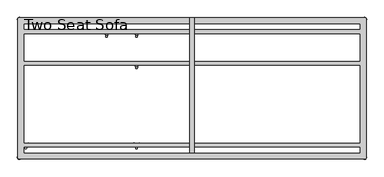
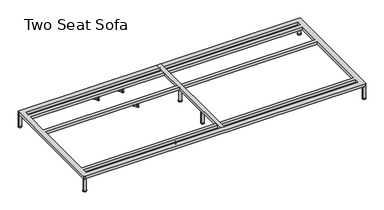
"""IFC4 building model written with IfcOpenShell, lengths in millimetres: furniture geometry, Two Seat Sofa."""

from ifc_helpers import new_model, si_unit, point, frame, frame_2d, origin, origin_with_axes, place, context, project, spatial, polyline, circle_curve, trimmed, segment, composite_curve, outline, extrude, source, transform, mapped, element, save
from ifc_brep_helpers import plane_surface, cylinder_surface, revolved_surface, advanced_brep


def two_seat_sofa_4a8d6982(model_context):
    return source(origin(), model_context, "Body", "SolidModel", [
        advanced_brep(
        [(-519.7611937, -633.9963447, 98.611642), (-523.9837819, -641.3100819, 98.611642), (-523.585833, -642.4761133, 98.611642), (-507.7665623, -669.8758983, 98.611642), (-506.9557288, -670.8035397, 98.611642), (-498.5105502, -670.8035397, 98.611642), (-497.706022, -669.7137583, 98.611642), (-481.6037689, -642.2119553, 98.611642), (-481.4824919, -641.3100836, 98.611642), (-485.7050818, -633.9963432, 98.611642), (-486.9138653, -633.7579584, 98.611642), (-518.5524137, -633.7579584, 98.611642), (-493.360263, -648.9168654, 98.611642), (-512.2652749, -648.9168654, 98.611642), (-519.7611937, -633.9963447, 88.6531552), (-518.5524137, -633.7579584, 88.6531552), (-486.9138653, -633.7579584, 88.6531552), (-485.7050818, -633.9963432, 88.6531552), (-481.4824919, -641.3100836, 88.6531552), (-481.6037689, -642.2119553, 88.6531552), (-497.706022, -669.7137583, 88.6531552), (-498.5105502, -670.8035397, 88.6531552), (-506.9557288, -670.8035397, 88.6531552), (-507.7665623, -669.8758983, 88.6531552), (-523.585833, -642.4761133, 88.6531552), (-523.9837819, -641.3100819, 88.6531552), (-512.2652749, -648.9168654, 103.6569541), (-493.360263, -648.9168654, 103.6569541)],
        [
            (0, 1, circle_curve(frame((-501.5017056, -649.4142898, 98.611642), z_axis=(0.0, 0.0, 1.0), x_axis=(1.0, 0.0, 0.0)), 23.8981576)),
            (1, 2, circle_curve(frame((-523.0562233, -641.6444428, 98.611642), z_axis=(0.0, 0.0, 1.0), x_axis=(1.0, 0.0, 0.0)), 0.9859828)),
            (2, 3, circle_curve(frame((-541.981203, -671.3632053, 98.611642), z_axis=(0.0, 0.0, -1.0), x_axis=(1.0, 0.0, 0.0)), 34.246952)),
            (3, 4, circle_curve(frame((-506.7815189, -669.8330785, 98.611642), z_axis=(0.0, 0.0, 1.0), x_axis=(1.0, 0.0, 0.0)), 0.9859736)),
            (4, 5, circle_curve(frame((-502.7331395, -647.2809943, 98.611642), z_axis=(0.0, 0.0, 1.0), x_axis=(1.0, 0.0, 0.0)), 23.8985439)),
            (5, 6, circle_curve(frame((-498.6847621, -669.8330671, 98.611642), z_axis=(0.0, 0.0, 1.0), x_axis=(1.0, 0.0, 0.0)), 0.9859852)),
            (6, 7, circle_curve(frame((-463.4843483, -671.285662, 98.611642), z_axis=(0.0, 0.0, -1.0), x_axis=(1.0, 0.0, 0.0)), 34.2577557)),
            (7, 8, circle_curve(frame((-482.4100533, -641.644442, 98.611642), z_axis=(0.0, 0.0, 1.0), x_axis=(1.0, 0.0, 0.0)), 0.9859847)),
            (8, 9, circle_curve(frame((-503.9641822, -649.4140667, 98.611642), z_axis=(0.0, 0.0, 1.0), x_axis=(1.0, 0.0, 0.0)), 23.8977184)),
            (9, 10, circle_curve(frame((-486.4584281, -634.632458, 98.611642), z_axis=(0.0, 0.0, 1.0), x_axis=(1.0, 0.0, 0.0)), 0.9859881)),
            (10, 11, circle_curve(frame((-502.7331395, -603.3828618, 98.611642), z_axis=(0.0, 0.0, -1.0), x_axis=(1.0, 0.0, 0.0)), 34.2475683)),
            (11, 0, circle_curve(frame((-519.0078488, -634.632454, 98.611642), z_axis=(0.0, 0.0, 1.0), x_axis=(1.0, 0.0, 0.0)), 0.9859835)),
            (12, 13, circle_curve(frame((-502.8127689, -648.9168654, 98.611642), z_axis=(0.0, 0.0, -1.0), x_axis=(1.0, 0.0, 0.0)), 9.452506)),
            (13, 12, circle_curve(frame((-502.8127689, -648.9168654, 98.611642), z_axis=(0.0, 0.0, -1.0), x_axis=(1.0, 0.0, 0.0)), 9.452506)),
            (14, 15, circle_curve(frame((-519.0078488, -634.632454, 88.6531552), z_axis=(0.0, 0.0, -1.0), x_axis=(1.0, 0.0, 0.0)), 0.9859835)),
            (15, 16, circle_curve(frame((-502.7331395, -603.3828618, 88.6531552), z_axis=(0.0, 0.0, 1.0), x_axis=(1.0, 0.0, 0.0)), 34.2475683)),
            (16, 17, circle_curve(frame((-486.4584281, -634.632458, 88.6531552), z_axis=(0.0, 0.0, -1.0), x_axis=(1.0, 0.0, 0.0)), 0.9859881)),
            (17, 18, circle_curve(frame((-503.9641822, -649.4140667, 88.6531552), z_axis=(0.0, 0.0, -1.0), x_axis=(1.0, 0.0, 0.0)), 23.8977184)),
            (18, 19, circle_curve(frame((-482.4100533, -641.644442, 88.6531552), z_axis=(0.0, 0.0, -1.0), x_axis=(1.0, 0.0, 0.0)), 0.9859847)),
            (19, 20, circle_curve(frame((-463.4843483, -671.285662, 88.6531552), z_axis=(0.0, 0.0, 1.0), x_axis=(1.0, 0.0, 0.0)), 34.2577557)),
            (20, 21, circle_curve(frame((-498.6847621, -669.8330671, 88.6531552), z_axis=(0.0, 0.0, -1.0), x_axis=(1.0, 0.0, 0.0)), 0.9859852)),
            (21, 22, circle_curve(frame((-502.7331395, -647.2809943, 88.6531552), z_axis=(0.0, 0.0, -1.0), x_axis=(1.0, 0.0, 0.0)), 23.8985439)),
            (22, 23, circle_curve(frame((-506.7815189, -669.8330785, 88.6531552), z_axis=(0.0, 0.0, -1.0), x_axis=(1.0, 0.0, 0.0)), 0.9859736)),
            (23, 24, circle_curve(frame((-541.981203, -671.3632053, 88.6531552), z_axis=(0.0, 0.0, 1.0), x_axis=(1.0, 0.0, 0.0)), 34.246952)),
            (24, 25, circle_curve(frame((-523.0562233, -641.6444428, 88.6531552), z_axis=(0.0, 0.0, -1.0), x_axis=(1.0, 0.0, 0.0)), 0.9859828)),
            (25, 14, circle_curve(frame((-501.5017056, -649.4142898, 88.6531552), z_axis=(0.0, 0.0, -1.0), x_axis=(1.0, 0.0, 0.0)), 23.8981576)),
            (26, 27, circle_curve(frame((-502.8127689, -648.9168654, 103.6569541), z_axis=(0.0, 0.0, 1.0), x_axis=(1.0, 0.0, 0.0)), 9.452506)),
            (27, 26, circle_curve(frame((-502.8127689, -648.9168654, 103.6569541), z_axis=(0.0, 0.0, 1.0), x_axis=(1.0, 0.0, 0.0)), 9.452506)),
            (0, 14),
            (25, 1),
            (24, 2),
            (23, 3),
            (22, 4),
            (21, 5),
            (20, 6),
            (19, 7),
            (18, 8),
            (17, 9),
            (16, 10),
            (15, 11),
            (26, 13),
            (12, 27),
        ],
        [
            plane_surface(frame((-477.603548, -649.4142898, 98.611642), z_axis=(0.0, 0.0, 1.0), x_axis=(0.0, 1.0, 0.0))),
            plane_surface(frame((-477.603548, -649.4142898, 88.6531552), z_axis=(0.0, 0.0, -1.0), x_axis=(0.0, -1.0, 0.0))),
            plane_surface(frame((-493.360263, -648.9168654, 103.6569541), z_axis=(0.0, 0.0, 1.0), x_axis=(0.0, 1.0, 0.0))),
            cylinder_surface(frame((-501.5017056, -649.4142898, 88.6531552), z_axis=(0.0, 0.0, 1.0), x_axis=(1.0, 0.0, 0.0)), 23.8981576),
            cylinder_surface(frame((-523.0562233, -641.6444428, 88.6531552), z_axis=(0.0, 0.0, 1.0), x_axis=(1.0, 0.0, 0.0)), 0.9859828),
            revolved_surface(polyline([(-507.73425100000003, -671.3632053, 88.6531552), (-507.73425100000003, -671.3632053, 98.611642)]), (-541.981203, -671.3632053, 88.6531552), (0.0, 0.0, -1.0)),
            cylinder_surface(frame((-506.7815189, -669.8330785, 88.6531552), z_axis=(0.0, 0.0, 1.0), x_axis=(1.0, 0.0, 0.0)), 0.9859736),
            cylinder_surface(frame((-502.7331395, -647.2809943, 88.6531552), z_axis=(0.0, 0.0, 1.0), x_axis=(1.0, 0.0, 0.0)), 23.8985439),
            cylinder_surface(frame((-498.6847621, -669.8330671, 88.6531552), z_axis=(0.0, 0.0, 1.0), x_axis=(1.0, 0.0, 0.0)), 0.9859852),
            revolved_surface(polyline([(-429.2265926, -671.285662, 88.6531552), (-429.2265926, -671.285662, 98.611642)]), (-463.4843483, -671.285662, 88.6531552), (0.0, 0.0, -1.0)),
            cylinder_surface(frame((-482.4100533, -641.644442, 88.6531552), z_axis=(0.0, 0.0, 1.0), x_axis=(1.0, 0.0, 0.0)), 0.9859847),
            cylinder_surface(frame((-503.9641822, -649.4140667, 88.6531552), z_axis=(0.0, 0.0, 1.0), x_axis=(1.0, 0.0, 0.0)), 23.8977184),
            cylinder_surface(frame((-486.4584281, -634.632458, 88.6531552), z_axis=(0.0, 0.0, 1.0), x_axis=(1.0, 0.0, 0.0)), 0.9859881),
            revolved_surface(polyline([(-468.4855712, -603.3828618, 88.6531552), (-468.4855712, -603.3828618, 98.611642)]), (-502.7331395, -603.3828618, 88.6531552), (0.0, 0.0, -1.0)),
            cylinder_surface(frame((-519.0078488, -634.632454, 88.6531552), z_axis=(0.0, 0.0, 1.0), x_axis=(1.0, 0.0, 0.0)), 0.9859835),
            cylinder_surface(frame((-502.8127689, -648.9168654, 98.611642), z_axis=(0.0, 0.0, 1.0), x_axis=(1.0, 0.0, 0.0)), 9.452506),
        ],
        [
            (0, [[1, 2, 3, 4, 5, 6, 7, 8, 9, 10, 11, 12], [13, 14]]),
            (1, [[15, 16, 17, 18, 19, 20, 21, 22, 23, 24, 25, 26]]),
            (2, [[27, 28]]),
            (3, [[-1, 29, -26, 30]]),
            (4, [[-2, -30, -25, 31]]),
            (5, [[-3, -31, -24, 32]]),
            (6, [[-4, -32, -23, 33]]),
            (7, [[-5, -33, -22, 34]]),
            (8, [[-6, -34, -21, 35]]),
            (9, [[-7, -35, -20, 36]]),
            (10, [[-8, -36, -19, 37]]),
            (11, [[-9, -37, -18, 38]]),
            (12, [[-10, -38, -17, 39]]),
            (13, [[-11, -39, -16, 40]]),
            (14, [[-12, -40, -15, -29]]),
            (15, [[-27, 41, -13, 42]]),
            (15, [[-28, -42, -14, -41]]),
        ],
    ),
        advanced_brep(
        [(-519.7611937, -130.2721038, 98.611642), (-523.9837819, -137.585841, 98.611642), (-523.585833, -138.7518724, 98.611642), (-507.7665623, -166.1516574, 98.611642), (-506.9557288, -167.0792988, 98.611642), (-498.5105502, -167.0792988, 98.611642), (-497.706022, -165.9895174, 98.611642), (-481.6037689, -138.4877144, 98.611642), (-481.4824919, -137.5858427, 98.611642), (-485.7050818, -130.2721023, 98.611642), (-486.9138653, -130.0337175, 98.611642), (-518.5524137, -130.0337175, 98.611642), (-493.360263, -145.1926245, 98.611642), (-512.2652749, -145.1926245, 98.611642), (-519.7611937, -130.2721038, 88.6531552), (-518.5524137, -130.0337175, 88.6531552), (-486.9138653, -130.0337175, 88.6531552), (-485.7050818, -130.2721023, 88.6531552), (-481.4824919, -137.5858427, 88.6531552), (-481.6037689, -138.4877144, 88.6531552), (-497.706022, -165.9895174, 88.6531552), (-498.5105502, -167.0792988, 88.6531552), (-506.9557288, -167.0792988, 88.6531552), (-507.7665623, -166.1516574, 88.6531552), (-523.585833, -138.7518724, 88.6531552), (-523.9837819, -137.585841, 88.6531552), (-512.2652749, -145.1926245, 103.6569541), (-493.360263, -145.1926245, 103.6569541)],
        [
            (0, 1, circle_curve(frame((-501.5017056, -145.690049, 98.611642), z_axis=(0.0, 0.0, 1.0), x_axis=(1.0, 0.0, 0.0)), 23.8981576)),
            (1, 2, circle_curve(frame((-523.0562233, -137.920202, 98.611642), z_axis=(0.0, 0.0, 1.0), x_axis=(1.0, 0.0, 0.0)), 0.9859828)),
            (2, 3, circle_curve(frame((-541.981203, -167.6389644, 98.611642), z_axis=(0.0, 0.0, -1.0), x_axis=(1.0, 0.0, 0.0)), 34.246952)),
            (3, 4, circle_curve(frame((-506.7815189, -166.1088376, 98.611642), z_axis=(0.0, 0.0, 1.0), x_axis=(1.0, 0.0, 0.0)), 0.9859736)),
            (4, 5, circle_curve(frame((-502.7331395, -143.5567534, 98.611642), z_axis=(0.0, 0.0, 1.0), x_axis=(1.0, 0.0, 0.0)), 23.8985439)),
            (5, 6, circle_curve(frame((-498.6847621, -166.1088262, 98.611642), z_axis=(0.0, 0.0, 1.0), x_axis=(1.0, 0.0, 0.0)), 0.9859852)),
            (6, 7, circle_curve(frame((-463.4843483, -167.5614211, 98.611642), z_axis=(0.0, 0.0, -1.0), x_axis=(1.0, 0.0, 0.0)), 34.2577557)),
            (7, 8, circle_curve(frame((-482.4100533, -137.9202011, 98.611642), z_axis=(0.0, 0.0, 1.0), x_axis=(1.0, 0.0, 0.0)), 0.9859847)),
            (8, 9, circle_curve(frame((-503.9641822, -145.6898258, 98.611642), z_axis=(0.0, 0.0, 1.0), x_axis=(1.0, 0.0, 0.0)), 23.8977184)),
            (9, 10, circle_curve(frame((-486.4584281, -130.9082171, 98.611642), z_axis=(0.0, 0.0, 1.0), x_axis=(1.0, 0.0, 0.0)), 0.9859881)),
            (10, 11, circle_curve(frame((-502.7331395, -99.6586209, 98.611642), z_axis=(0.0, 0.0, -1.0), x_axis=(1.0, 0.0, 0.0)), 34.2475683)),
            (11, 0, circle_curve(frame((-519.0078488, -130.9082131, 98.611642), z_axis=(0.0, 0.0, 1.0), x_axis=(1.0, 0.0, 0.0)), 0.9859835)),
            (12, 13, circle_curve(frame((-502.8127689, -145.1926245, 98.611642), z_axis=(0.0, 0.0, -1.0), x_axis=(1.0, 0.0, 0.0)), 9.452506)),
            (13, 12, circle_curve(frame((-502.8127689, -145.1926245, 98.611642), z_axis=(0.0, 0.0, -1.0), x_axis=(1.0, 0.0, 0.0)), 9.452506)),
            (14, 15, circle_curve(frame((-519.0078488, -130.9082131, 88.6531552), z_axis=(0.0, 0.0, -1.0), x_axis=(1.0, 0.0, 0.0)), 0.9859835)),
            (15, 16, circle_curve(frame((-502.7331395, -99.6586209, 88.6531552), z_axis=(0.0, 0.0, 1.0), x_axis=(1.0, 0.0, 0.0)), 34.2475683)),
            (16, 17, circle_curve(frame((-486.4584281, -130.9082171, 88.6531552), z_axis=(0.0, 0.0, -1.0), x_axis=(1.0, 0.0, 0.0)), 0.9859881)),
            (17, 18, circle_curve(frame((-503.9641822, -145.6898258, 88.6531552), z_axis=(0.0, 0.0, -1.0), x_axis=(1.0, 0.0, 0.0)), 23.8977184)),
            (18, 19, circle_curve(frame((-482.4100533, -137.9202011, 88.6531552), z_axis=(0.0, 0.0, -1.0), x_axis=(1.0, 0.0, 0.0)), 0.9859847)),
            (19, 20, circle_curve(frame((-463.4843483, -167.5614211, 88.6531552), z_axis=(0.0, 0.0, 1.0), x_axis=(1.0, 0.0, 0.0)), 34.2577557)),
            (20, 21, circle_curve(frame((-498.6847621, -166.1088262, 88.6531552), z_axis=(0.0, 0.0, -1.0), x_axis=(1.0, 0.0, 0.0)), 0.9859852)),
            (21, 22, circle_curve(frame((-502.7331395, -143.5567534, 88.6531552), z_axis=(0.0, 0.0, -1.0), x_axis=(1.0, 0.0, 0.0)), 23.8985439)),
            (22, 23, circle_curve(frame((-506.7815189, -166.1088376, 88.6531552), z_axis=(0.0, 0.0, -1.0), x_axis=(1.0, 0.0, 0.0)), 0.9859736)),
            (23, 24, circle_curve(frame((-541.981203, -167.6389644, 88.6531552), z_axis=(0.0, 0.0, 1.0), x_axis=(1.0, 0.0, 0.0)), 34.246952)),
            (24, 25, circle_curve(frame((-523.0562233, -137.920202, 88.6531552), z_axis=(0.0, 0.0, -1.0), x_axis=(1.0, 0.0, 0.0)), 0.9859828)),
            (25, 14, circle_curve(frame((-501.5017056, -145.690049, 88.6531552), z_axis=(0.0, 0.0, -1.0), x_axis=(1.0, 0.0, 0.0)), 23.8981576)),
            (26, 27, circle_curve(frame((-502.8127689, -145.1926245, 103.6569541), z_axis=(0.0, 0.0, 1.0), x_axis=(1.0, 0.0, 0.0)), 9.452506)),
            (27, 26, circle_curve(frame((-502.8127689, -145.1926245, 103.6569541), z_axis=(0.0, 0.0, 1.0), x_axis=(1.0, 0.0, 0.0)), 9.452506)),
            (0, 14),
            (25, 1),
            (24, 2),
            (23, 3),
            (22, 4),
            (21, 5),
            (20, 6),
            (19, 7),
            (18, 8),
            (17, 9),
            (16, 10),
            (15, 11),
            (26, 13),
            (12, 27),
        ],
        [
            plane_surface(frame((-477.603548, -145.690049, 98.611642), z_axis=(0.0, 0.0, 1.0), x_axis=(0.0, 1.0, 0.0))),
            plane_surface(frame((-477.603548, -145.690049, 88.6531552), z_axis=(0.0, 0.0, -1.0), x_axis=(0.0, -1.0, 0.0))),
            plane_surface(frame((-493.360263, -145.1926245, 103.6569541), z_axis=(0.0, 0.0, 1.0), x_axis=(0.0, 1.0, 0.0))),
            cylinder_surface(frame((-501.5017056, -145.690049, 88.6531552), z_axis=(0.0, 0.0, 1.0), x_axis=(1.0, 0.0, 0.0)), 23.8981576),
            cylinder_surface(frame((-523.0562233, -137.920202, 88.6531552), z_axis=(0.0, 0.0, 1.0), x_axis=(1.0, 0.0, 0.0)), 0.9859828),
            revolved_surface(polyline([(-507.73425100000003, -167.6389644, 88.6531552), (-507.73425100000003, -167.6389644, 98.611642)]), (-541.981203, -167.6389644, 88.6531552), (0.0, 0.0, -1.0)),
            cylinder_surface(frame((-506.7815189, -166.1088376, 88.6531552), z_axis=(0.0, 0.0, 1.0), x_axis=(1.0, 0.0, 0.0)), 0.9859736),
            cylinder_surface(frame((-502.7331395, -143.5567534, 88.6531552), z_axis=(0.0, 0.0, 1.0), x_axis=(1.0, 0.0, 0.0)), 23.8985439),
            cylinder_surface(frame((-498.6847621, -166.1088262, 88.6531552), z_axis=(0.0, 0.0, 1.0), x_axis=(1.0, 0.0, 0.0)), 0.9859852),
            revolved_surface(polyline([(-429.2265926, -167.5614211, 88.6531552), (-429.2265926, -167.5614211, 98.611642)]), (-463.4843483, -167.5614211, 88.6531552), (0.0, 0.0, -1.0)),
            cylinder_surface(frame((-482.4100533, -137.9202011, 88.6531552), z_axis=(0.0, 0.0, 1.0), x_axis=(1.0, 0.0, 0.0)), 0.9859847),
            cylinder_surface(frame((-503.9641822, -145.6898258, 88.6531552), z_axis=(0.0, 0.0, 1.0), x_axis=(1.0, 0.0, 0.0)), 23.8977184),
            cylinder_surface(frame((-486.4584281, -130.9082171, 88.6531552), z_axis=(0.0, 0.0, 1.0), x_axis=(1.0, 0.0, 0.0)), 0.9859881),
            revolved_surface(polyline([(-468.4855712, -99.6586209, 88.6531552), (-468.4855712, -99.6586209, 98.611642)]), (-502.7331395, -99.6586209, 88.6531552), (0.0, 0.0, -1.0)),
            cylinder_surface(frame((-519.0078488, -130.9082131, 88.6531552), z_axis=(0.0, 0.0, 1.0), x_axis=(1.0, 0.0, 0.0)), 0.9859835),
            cylinder_surface(frame((-502.8127689, -145.1926245, 98.611642), z_axis=(0.0, 0.0, 1.0), x_axis=(1.0, 0.0, 0.0)), 9.452506),
        ],
        [
            (0, [[1, 2, 3, 4, 5, 6, 7, 8, 9, 10, 11, 12], [13, 14]]),
            (1, [[15, 16, 17, 18, 19, 20, 21, 22, 23, 24, 25, 26]]),
            (2, [[27, 28]]),
            (3, [[-1, 29, -26, 30]]),
            (4, [[-2, -30, -25, 31]]),
            (5, [[-3, -31, -24, 32]]),
            (6, [[-4, -32, -23, 33]]),
            (7, [[-5, -33, -22, 34]]),
            (8, [[-6, -34, -21, 35]]),
            (9, [[-7, -35, -20, 36]]),
            (10, [[-8, -36, -19, 37]]),
            (11, [[-9, -37, -18, 38]]),
            (12, [[-10, -38, -17, 39]]),
            (13, [[-11, -39, -16, 40]]),
            (14, [[-12, -40, -15, -29]]),
            (15, [[-27, 41, -13, 42]]),
            (15, [[-28, -42, -14, -41]]),
        ],
    ),
        advanced_brep(
        [(-519.7611937, 69.7278978, 98.611642), (-523.9837819, 62.4141605, 98.611642), (-523.585833, 61.2481292, 98.611642), (-507.7665623, 33.8483441, 98.611642), (-506.9557288, 32.9207027, 98.611642), (-498.5105502, 32.9207027, 98.611642), (-497.706022, 34.0104841, 98.611642), (-481.6037689, 61.5122871, 98.611642), (-481.4824919, 62.4141588, 98.611642), (-485.7050818, 69.7278992, 98.611642), (-486.9138653, 69.966284, 98.611642), (-518.5524137, 69.966284, 98.611642), (-493.360263, 54.807377, 98.611642), (-512.2652749, 54.807377, 98.611642), (-519.7611937, 69.7278978, 88.6531552), (-518.5524137, 69.966284, 88.6531552), (-486.9138653, 69.966284, 88.6531552), (-485.7050818, 69.7278992, 88.6531552), (-481.4824919, 62.4141588, 88.6531552), (-481.6037689, 61.5122871, 88.6531552), (-497.706022, 34.0104841, 88.6531552), (-498.5105502, 32.9207027, 88.6531552), (-506.9557288, 32.9207027, 88.6531552), (-507.7665623, 33.8483441, 88.6531552), (-523.585833, 61.2481292, 88.6531552), (-523.9837819, 62.4141605, 88.6531552), (-512.2652749, 54.807377, 103.6569541), (-493.360263, 54.807377, 103.6569541)],
        [
            (0, 1, circle_curve(frame((-501.5017056, 54.3099526, 98.611642), z_axis=(0.0, 0.0, 1.0), x_axis=(1.0, 0.0, 0.0)), 23.8981576)),
            (1, 2, circle_curve(frame((-523.0562233, 62.0797996, 98.611642), z_axis=(0.0, 0.0, 1.0), x_axis=(1.0, 0.0, 0.0)), 0.9859828)),
            (2, 3, circle_curve(frame((-541.981203, 32.3610372, 98.611642), z_axis=(0.0, 0.0, -1.0), x_axis=(1.0, 0.0, 0.0)), 34.246952)),
            (3, 4, circle_curve(frame((-506.7815189, 33.8911639, 98.611642), z_axis=(0.0, 0.0, 1.0), x_axis=(1.0, 0.0, 0.0)), 0.9859736)),
            (4, 5, circle_curve(frame((-502.7331395, 56.4432481, 98.611642), z_axis=(0.0, 0.0, 1.0), x_axis=(1.0, 0.0, 0.0)), 23.8985439)),
            (5, 6, circle_curve(frame((-498.6847621, 33.8911753, 98.611642), z_axis=(0.0, 0.0, 1.0), x_axis=(1.0, 0.0, 0.0)), 0.9859852)),
            (6, 7, circle_curve(frame((-463.4843483, 32.4385804, 98.611642), z_axis=(0.0, 0.0, -1.0), x_axis=(1.0, 0.0, 0.0)), 34.2577557)),
            (7, 8, circle_curve(frame((-482.4100533, 62.0798004, 98.611642), z_axis=(0.0, 0.0, 1.0), x_axis=(1.0, 0.0, 0.0)), 0.9859847)),
            (8, 9, circle_curve(frame((-503.9641822, 54.3101757, 98.611642), z_axis=(0.0, 0.0, 1.0), x_axis=(1.0, 0.0, 0.0)), 23.8977184)),
            (9, 10, circle_curve(frame((-486.4584281, 69.0917844, 98.611642), z_axis=(0.0, 0.0, 1.0), x_axis=(1.0, 0.0, 0.0)), 0.9859881)),
            (10, 11, circle_curve(frame((-502.7331395, 100.3413806, 98.611642), z_axis=(0.0, 0.0, -1.0), x_axis=(1.0, 0.0, 0.0)), 34.2475683)),
            (11, 0, circle_curve(frame((-519.0078488, 69.0917885, 98.611642), z_axis=(0.0, 0.0, 1.0), x_axis=(1.0, 0.0, 0.0)), 0.9859835)),
            (12, 13, circle_curve(frame((-502.8127689, 54.807377, 98.611642), z_axis=(0.0, 0.0, -1.0), x_axis=(1.0, 0.0, 0.0)), 9.452506)),
            (13, 12, circle_curve(frame((-502.8127689, 54.807377, 98.611642), z_axis=(0.0, 0.0, -1.0), x_axis=(1.0, 0.0, 0.0)), 9.452506)),
            (14, 15, circle_curve(frame((-519.0078488, 69.0917885, 88.6531552), z_axis=(0.0, 0.0, -1.0), x_axis=(1.0, 0.0, 0.0)), 0.9859835)),
            (15, 16, circle_curve(frame((-502.7331395, 100.3413806, 88.6531552), z_axis=(0.0, 0.0, 1.0), x_axis=(1.0, 0.0, 0.0)), 34.2475683)),
            (16, 17, circle_curve(frame((-486.4584281, 69.0917844, 88.6531552), z_axis=(0.0, 0.0, -1.0), x_axis=(1.0, 0.0, 0.0)), 0.9859881)),
            (17, 18, circle_curve(frame((-503.9641822, 54.3101757, 88.6531552), z_axis=(0.0, 0.0, -1.0), x_axis=(1.0, 0.0, 0.0)), 23.8977184)),
            (18, 19, circle_curve(frame((-482.4100533, 62.0798004, 88.6531552), z_axis=(0.0, 0.0, -1.0), x_axis=(1.0, 0.0, 0.0)), 0.9859847)),
            (19, 20, circle_curve(frame((-463.4843483, 32.4385804, 88.6531552), z_axis=(0.0, 0.0, 1.0), x_axis=(1.0, 0.0, 0.0)), 34.2577557)),
            (20, 21, circle_curve(frame((-498.6847621, 33.8911753, 88.6531552), z_axis=(0.0, 0.0, -1.0), x_axis=(1.0, 0.0, 0.0)), 0.9859852)),
            (21, 22, circle_curve(frame((-502.7331395, 56.4432481, 88.6531552), z_axis=(0.0, 0.0, -1.0), x_axis=(1.0, 0.0, 0.0)), 23.8985439)),
            (22, 23, circle_curve(frame((-506.7815189, 33.8911639, 88.6531552), z_axis=(0.0, 0.0, -1.0), x_axis=(1.0, 0.0, 0.0)), 0.9859736)),
            (23, 24, circle_curve(frame((-541.981203, 32.3610372, 88.6531552), z_axis=(0.0, 0.0, 1.0), x_axis=(1.0, 0.0, 0.0)), 34.246952)),
            (24, 25, circle_curve(frame((-523.0562233, 62.0797996, 88.6531552), z_axis=(0.0, 0.0, -1.0), x_axis=(1.0, 0.0, 0.0)), 0.9859828)),
            (25, 14, circle_curve(frame((-501.5017056, 54.3099526, 88.6531552), z_axis=(0.0, 0.0, -1.0), x_axis=(1.0, 0.0, 0.0)), 23.8981576)),
            (26, 27, circle_curve(frame((-502.8127689, 54.807377, 103.6569541), z_axis=(0.0, 0.0, 1.0), x_axis=(1.0, 0.0, 0.0)), 9.452506)),
            (27, 26, circle_curve(frame((-502.8127689, 54.807377, 103.6569541), z_axis=(0.0, 0.0, 1.0), x_axis=(1.0, 0.0, 0.0)), 9.452506)),
            (0, 14),
            (25, 1),
            (24, 2),
            (23, 3),
            (22, 4),
            (21, 5),
            (20, 6),
            (19, 7),
            (18, 8),
            (17, 9),
            (16, 10),
            (15, 11),
            (26, 13),
            (12, 27),
        ],
        [
            plane_surface(frame((-477.603548, 54.3099526, 98.611642), z_axis=(0.0, 0.0, 1.0), x_axis=(0.0, 1.0, 0.0))),
            plane_surface(frame((-477.603548, 54.3099526, 88.6531552), z_axis=(0.0, 0.0, -1.0), x_axis=(0.0, -1.0, 0.0))),
            plane_surface(frame((-493.360263, 54.807377, 103.6569541), z_axis=(0.0, 0.0, 1.0), x_axis=(0.0, 1.0, 0.0))),
            cylinder_surface(frame((-501.5017056, 54.3099526, 88.6531552), z_axis=(0.0, 0.0, 1.0), x_axis=(1.0, 0.0, 0.0)), 23.8981576),
            cylinder_surface(frame((-523.0562233, 62.0797996, 88.6531552), z_axis=(0.0, 0.0, 1.0), x_axis=(1.0, 0.0, 0.0)), 0.9859828),
            revolved_surface(polyline([(-507.73425100000003, 32.3610372, 88.6531552), (-507.73425100000003, 32.3610372, 98.611642)]), (-541.981203, 32.3610372, 88.6531552), (0.0, 0.0, -1.0)),
            cylinder_surface(frame((-506.7815189, 33.8911639, 88.6531552), z_axis=(0.0, 0.0, 1.0), x_axis=(1.0, 0.0, 0.0)), 0.9859736),
            cylinder_surface(frame((-502.7331395, 56.4432481, 88.6531552), z_axis=(0.0, 0.0, 1.0), x_axis=(1.0, 0.0, 0.0)), 23.8985439),
            cylinder_surface(frame((-498.6847621, 33.8911753, 88.6531552), z_axis=(0.0, 0.0, 1.0), x_axis=(1.0, 0.0, 0.0)), 0.9859852),
            revolved_surface(polyline([(-429.2265926, 32.4385804, 88.6531552), (-429.2265926, 32.4385804, 98.611642)]), (-463.4843483, 32.4385804, 88.6531552), (0.0, 0.0, -1.0)),
            cylinder_surface(frame((-482.4100533, 62.0798004, 88.6531552), z_axis=(0.0, 0.0, 1.0), x_axis=(1.0, 0.0, 0.0)), 0.9859847),
            cylinder_surface(frame((-503.9641822, 54.3101757, 88.6531552), z_axis=(0.0, 0.0, 1.0), x_axis=(1.0, 0.0, 0.0)), 23.8977184),
            cylinder_surface(frame((-486.4584281, 69.0917844, 88.6531552), z_axis=(0.0, 0.0, 1.0), x_axis=(1.0, 0.0, 0.0)), 0.9859881),
            revolved_surface(polyline([(-468.4855712, 100.3413806, 88.6531552), (-468.4855712, 100.3413806, 98.611642)]), (-502.7331395, 100.3413806, 88.6531552), (0.0, 0.0, -1.0)),
            cylinder_surface(frame((-519.0078488, 69.0917885, 88.6531552), z_axis=(0.0, 0.0, 1.0), x_axis=(1.0, 0.0, 0.0)), 0.9859835),
            cylinder_surface(frame((-502.8127689, 54.807377, 98.611642), z_axis=(0.0, 0.0, 1.0), x_axis=(1.0, 0.0, 0.0)), 9.452506),
        ],
        [
            (0, [[1, 2, 3, 4, 5, 6, 7, 8, 9, 10, 11, 12], [13, 14]]),
            (1, [[15, 16, 17, 18, 19, 20, 21, 22, 23, 24, 25, 26]]),
            (2, [[27, 28]]),
            (3, [[-1, 29, -26, 30]]),
            (4, [[-2, -30, -25, 31]]),
            (5, [[-3, -31, -24, 32]]),
            (6, [[-4, -32, -23, 33]]),
            (7, [[-5, -33, -22, 34]]),
            (8, [[-6, -34, -21, 35]]),
            (9, [[-7, -35, -20, 36]]),
            (10, [[-8, -36, -19, 37]]),
            (11, [[-9, -37, -18, 38]]),
            (12, [[-10, -38, -17, 39]]),
            (13, [[-11, -39, -16, 40]]),
            (14, [[-12, -40, -15, -29]]),
            (15, [[-27, 41, -13, 42]]),
            (15, [[-28, -42, -14, -41]]),
        ],
    ),
        advanced_brep(
        [(-708.6567178, 69.7278978, 98.611642), (-712.879306, 62.4141605, 98.611642), (-712.4813572, 61.2481292, 98.611642), (-696.6620864, 33.8483441, 98.611642), (-695.8512529, 32.9207027, 98.611642), (-687.4060744, 32.9207027, 98.611642), (-686.6015461, 34.0104841, 98.611642), (-670.4992931, 61.5122871, 98.611642), (-670.378016, 62.4141588, 98.611642), (-674.600606, 69.7278992, 98.611642), (-675.8093894, 69.966284, 98.611642), (-707.4479379, 69.966284, 98.611642), (-682.2557871, 54.807377, 98.611642), (-701.160799, 54.807377, 98.611642), (-708.6567178, 69.7278978, 88.6531552), (-707.4479379, 69.966284, 88.6531552), (-675.8093894, 69.966284, 88.6531552), (-674.600606, 69.7278992, 88.6531552), (-670.378016, 62.4141588, 88.6531552), (-670.4992931, 61.5122871, 88.6531552), (-686.6015461, 34.0104841, 88.6531552), (-687.4060744, 32.9207027, 88.6531552), (-695.8512529, 32.9207027, 88.6531552), (-696.6620864, 33.8483441, 88.6531552), (-712.4813572, 61.2481292, 88.6531552), (-712.879306, 62.4141605, 88.6531552), (-701.160799, 54.807377, 103.6569541), (-682.2557871, 54.807377, 103.6569541)],
        [
            (0, 1, circle_curve(frame((-690.3972298, 54.3099526, 98.611642), z_axis=(0.0, 0.0, 1.0), x_axis=(1.0, 0.0, 0.0)), 23.8981576)),
            (1, 2, circle_curve(frame((-711.9517474, 62.0797996, 98.611642), z_axis=(0.0, 0.0, 1.0), x_axis=(1.0, 0.0, 0.0)), 0.9859828)),
            (2, 3, circle_curve(frame((-730.8767271, 32.3610372, 98.611642), z_axis=(0.0, 0.0, -1.0), x_axis=(1.0, 0.0, 0.0)), 34.246952)),
            (3, 4, circle_curve(frame((-695.6770431, 33.8911639, 98.611642), z_axis=(0.0, 0.0, 1.0), x_axis=(1.0, 0.0, 0.0)), 0.9859736)),
            (4, 5, circle_curve(frame((-691.6286636, 56.4432481, 98.611642), z_axis=(0.0, 0.0, 1.0), x_axis=(1.0, 0.0, 0.0)), 23.8985439)),
            (5, 6, circle_curve(frame((-687.5802862, 33.8911753, 98.611642), z_axis=(0.0, 0.0, 1.0), x_axis=(1.0, 0.0, 0.0)), 0.9859852)),
            (6, 7, circle_curve(frame((-652.3798725, 32.4385804, 98.611642), z_axis=(0.0, 0.0, -1.0), x_axis=(1.0, 0.0, 0.0)), 34.2577557)),
            (7, 8, circle_curve(frame((-671.3055775, 62.0798004, 98.611642), z_axis=(0.0, 0.0, 1.0), x_axis=(1.0, 0.0, 0.0)), 0.9859847)),
            (8, 9, circle_curve(frame((-692.8597064, 54.3101757, 98.611642), z_axis=(0.0, 0.0, 1.0), x_axis=(1.0, 0.0, 0.0)), 23.8977184)),
            (9, 10, circle_curve(frame((-675.3539522, 69.0917844, 98.611642), z_axis=(0.0, 0.0, 1.0), x_axis=(1.0, 0.0, 0.0)), 0.9859881)),
            (10, 11, circle_curve(frame((-691.6286636, 100.3413806, 98.611642), z_axis=(0.0, 0.0, -1.0), x_axis=(1.0, 0.0, 0.0)), 34.2475683)),
            (11, 0, circle_curve(frame((-707.9033729, 69.0917885, 98.611642), z_axis=(0.0, 0.0, 1.0), x_axis=(1.0, 0.0, 0.0)), 0.9859835)),
            (12, 13, circle_curve(frame((-691.7082931, 54.807377, 98.611642), z_axis=(0.0, 0.0, -1.0), x_axis=(1.0, 0.0, 0.0)), 9.452506)),
            (13, 12, circle_curve(frame((-691.7082931, 54.807377, 98.611642), z_axis=(0.0, 0.0, -1.0), x_axis=(1.0, 0.0, 0.0)), 9.452506)),
            (14, 15, circle_curve(frame((-707.9033729, 69.0917885, 88.6531552), z_axis=(0.0, 0.0, -1.0), x_axis=(1.0, 0.0, 0.0)), 0.9859835)),
            (15, 16, circle_curve(frame((-691.6286636, 100.3413806, 88.6531552), z_axis=(0.0, 0.0, 1.0), x_axis=(1.0, 0.0, 0.0)), 34.2475683)),
            (16, 17, circle_curve(frame((-675.3539522, 69.0917844, 88.6531552), z_axis=(0.0, 0.0, -1.0), x_axis=(1.0, 0.0, 0.0)), 0.9859881)),
            (17, 18, circle_curve(frame((-692.8597064, 54.3101757, 88.6531552), z_axis=(0.0, 0.0, -1.0), x_axis=(1.0, 0.0, 0.0)), 23.8977184)),
            (18, 19, circle_curve(frame((-671.3055775, 62.0798004, 88.6531552), z_axis=(0.0, 0.0, -1.0), x_axis=(1.0, 0.0, 0.0)), 0.9859847)),
            (19, 20, circle_curve(frame((-652.3798725, 32.4385804, 88.6531552), z_axis=(0.0, 0.0, 1.0), x_axis=(1.0, 0.0, 0.0)), 34.2577557)),
            (20, 21, circle_curve(frame((-687.5802862, 33.8911753, 88.6531552), z_axis=(0.0, 0.0, -1.0), x_axis=(1.0, 0.0, 0.0)), 0.9859852)),
            (21, 22, circle_curve(frame((-691.6286636, 56.4432481, 88.6531552), z_axis=(0.0, 0.0, -1.0), x_axis=(1.0, 0.0, 0.0)), 23.8985439)),
            (22, 23, circle_curve(frame((-695.6770431, 33.8911639, 88.6531552), z_axis=(0.0, 0.0, -1.0), x_axis=(1.0, 0.0, 0.0)), 0.9859736)),
            (23, 24, circle_curve(frame((-730.8767271, 32.3610372, 88.6531552), z_axis=(0.0, 0.0, 1.0), x_axis=(1.0, 0.0, 0.0)), 34.246952)),
            (24, 25, circle_curve(frame((-711.9517474, 62.0797996, 88.6531552), z_axis=(0.0, 0.0, -1.0), x_axis=(1.0, 0.0, 0.0)), 0.9859828)),
            (25, 14, circle_curve(frame((-690.3972298, 54.3099526, 88.6531552), z_axis=(0.0, 0.0, -1.0), x_axis=(1.0, 0.0, 0.0)), 23.8981576)),
            (26, 27, circle_curve(frame((-691.7082931, 54.807377, 103.6569541), z_axis=(0.0, 0.0, 1.0), x_axis=(1.0, 0.0, 0.0)), 9.452506)),
            (27, 26, circle_curve(frame((-691.7082931, 54.807377, 103.6569541), z_axis=(0.0, 0.0, 1.0), x_axis=(1.0, 0.0, 0.0)), 9.452506)),
            (0, 14),
            (25, 1),
            (24, 2),
            (23, 3),
            (22, 4),
            (21, 5),
            (20, 6),
            (19, 7),
            (18, 8),
            (17, 9),
            (16, 10),
            (15, 11),
            (26, 13),
            (12, 27),
        ],
        [
            plane_surface(frame((-666.4990722, 54.3099526, 98.611642), z_axis=(0.0, 0.0, 1.0), x_axis=(0.0, 1.0, 0.0))),
            plane_surface(frame((-666.4990722, 54.3099526, 88.6531552), z_axis=(0.0, 0.0, -1.0), x_axis=(0.0, -1.0, 0.0))),
            plane_surface(frame((-682.2557871, 54.807377, 103.6569541), z_axis=(0.0, 0.0, 1.0), x_axis=(0.0, 1.0, 0.0))),
            cylinder_surface(frame((-690.3972298, 54.3099526, 88.6531552), z_axis=(0.0, 0.0, 1.0), x_axis=(1.0, 0.0, 0.0)), 23.8981576),
            cylinder_surface(frame((-711.9517474, 62.0797996, 88.6531552), z_axis=(0.0, 0.0, 1.0), x_axis=(1.0, 0.0, 0.0)), 0.9859828),
            revolved_surface(polyline([(-696.6297751000001, 32.3610372, 88.6531552), (-696.6297751000001, 32.3610372, 98.611642)]), (-730.8767271, 32.3610372, 88.6531552), (0.0, 0.0, -1.0)),
            cylinder_surface(frame((-695.6770431, 33.8911639, 88.6531552), z_axis=(0.0, 0.0, 1.0), x_axis=(1.0, 0.0, 0.0)), 0.9859736),
            cylinder_surface(frame((-691.6286636, 56.4432481, 88.6531552), z_axis=(0.0, 0.0, 1.0), x_axis=(1.0, 0.0, 0.0)), 23.8985439),
            cylinder_surface(frame((-687.5802862, 33.8911753, 88.6531552), z_axis=(0.0, 0.0, 1.0), x_axis=(1.0, 0.0, 0.0)), 0.9859852),
            revolved_surface(polyline([(-618.1221168000001, 32.4385804, 88.6531552), (-618.1221168000001, 32.4385804, 98.611642)]), (-652.3798725, 32.4385804, 88.6531552), (0.0, 0.0, -1.0)),
            cylinder_surface(frame((-671.3055775, 62.0798004, 88.6531552), z_axis=(0.0, 0.0, 1.0), x_axis=(1.0, 0.0, 0.0)), 0.9859847),
            cylinder_surface(frame((-692.8597064, 54.3101757, 88.6531552), z_axis=(0.0, 0.0, 1.0), x_axis=(1.0, 0.0, 0.0)), 23.8977184),
            cylinder_surface(frame((-675.3539522, 69.0917844, 88.6531552), z_axis=(0.0, 0.0, 1.0), x_axis=(1.0, 0.0, 0.0)), 0.9859881),
            revolved_surface(polyline([(-657.3810953, 100.3413806, 88.6531552), (-657.3810953, 100.3413806, 98.611642)]), (-691.6286636, 100.3413806, 88.6531552), (0.0, 0.0, -1.0)),
            cylinder_surface(frame((-707.9033729, 69.0917885, 88.6531552), z_axis=(0.0, 0.0, 1.0), x_axis=(1.0, 0.0, 0.0)), 0.9859835),
            cylinder_surface(frame((-691.7082931, 54.807377, 98.611642), z_axis=(0.0, 0.0, 1.0), x_axis=(1.0, 0.0, 0.0)), 9.452506),
        ],
        [
            (0, [[1, 2, 3, 4, 5, 6, 7, 8, 9, 10, 11, 12], [13, 14]]),
            (1, [[15, 16, 17, 18, 19, 20, 21, 22, 23, 24, 25, 26]]),
            (2, [[27, 28]]),
            (3, [[-1, 29, -26, 30]]),
            (4, [[-2, -30, -25, 31]]),
            (5, [[-3, -31, -24, 32]]),
            (6, [[-4, -32, -23, 33]]),
            (7, [[-5, -33, -22, 34]]),
            (8, [[-6, -34, -21, 35]]),
            (9, [[-7, -35, -20, 36]]),
            (10, [[-8, -36, -19, 37]]),
            (11, [[-9, -37, -18, 38]]),
            (12, [[-10, -38, -17, 39]]),
            (13, [[-11, -39, -16, 40]]),
            (14, [[-12, -40, -15, -29]]),
            (15, [[-27, 41, -13, 42]]),
            (15, [[-28, -42, -14, -41]]),
        ],
    ),
        advanced_brep(
        [(-1216.6567178, -633.9963447, 98.6365961), (-1220.879306, -641.3100819, 98.6365961), (-1220.4813572, -642.4761133, 98.6365961), (-1204.6620864, -669.8758983, 98.6365961), (-1203.8512529, -670.8035397, 98.6365961), (-1195.4060744, -670.8035397, 98.6365961), (-1194.6015461, -669.7137583, 98.6365961), (-1178.4992931, -642.2119553, 98.6365961), (-1178.378016, -641.3100836, 98.6365961), (-1182.600606, -633.9963432, 98.6365961), (-1183.8093894, -633.7579584, 98.6365961), (-1215.4479379, -633.7579584, 98.6365961), (-1190.2557871, -648.9168654, 98.6365961), (-1209.160799, -648.9168654, 98.6365961), (-1216.6567178, -633.9963447, 88.6781094), (-1215.4479379, -633.7579584, 88.6781094), (-1183.8093894, -633.7579584, 88.6781094), (-1182.600606, -633.9963432, 88.6781094), (-1178.378016, -641.3100836, 88.6781094), (-1178.4992931, -642.2119553, 88.6781094), (-1194.6015461, -669.7137583, 88.6781094), (-1195.4060744, -670.8035397, 88.6781094), (-1203.8512529, -670.8035397, 88.6781094), (-1204.6620864, -669.8758983, 88.6781094), (-1220.4813572, -642.4761133, 88.6781094), (-1220.879306, -641.3100819, 88.6781094), (-1209.160799, -648.9168654, 103.6819083), (-1190.2557871, -648.9168654, 103.6819083)],
        [
            (0, 1, circle_curve(frame((-1198.3972298, -649.4142898, 98.6365961), z_axis=(0.0, 0.0, 1.0), x_axis=(1.0, 0.0, 0.0)), 23.8981576)),
            (1, 2, circle_curve(frame((-1219.9517474, -641.6444428, 98.6365961), z_axis=(0.0, 0.0, 1.0), x_axis=(1.0, 0.0, 0.0)), 0.9859828)),
            (2, 3, circle_curve(frame((-1238.8767271, -671.3632053, 98.6365961), z_axis=(0.0, 0.0, -1.0), x_axis=(1.0, 0.0, 0.0)), 34.246952)),
            (3, 4, circle_curve(frame((-1203.6770431, -669.8330785, 98.6365961), z_axis=(0.0, 0.0, 1.0), x_axis=(1.0, 0.0, 0.0)), 0.9859736)),
            (4, 5, circle_curve(frame((-1199.6286636, -647.2809943, 98.6365961), z_axis=(0.0, 0.0, 1.0), x_axis=(1.0, 0.0, 0.0)), 23.8985439)),
            (5, 6, circle_curve(frame((-1195.5802862, -669.8330671, 98.6365961), z_axis=(0.0, 0.0, 1.0), x_axis=(1.0, 0.0, 0.0)), 0.9859852)),
            (6, 7, circle_curve(frame((-1160.3798725, -671.285662, 98.6365961), z_axis=(0.0, 0.0, -1.0), x_axis=(1.0, 0.0, 0.0)), 34.2577557)),
            (7, 8, circle_curve(frame((-1179.3055775, -641.644442, 98.6365961), z_axis=(0.0, 0.0, 1.0), x_axis=(1.0, 0.0, 0.0)), 0.9859847)),
            (8, 9, circle_curve(frame((-1200.8597064, -649.4140667, 98.6365961), z_axis=(0.0, 0.0, 1.0), x_axis=(1.0, 0.0, 0.0)), 23.8977184)),
            (9, 10, circle_curve(frame((-1183.3539522, -634.632458, 98.6365961), z_axis=(0.0, 0.0, 1.0), x_axis=(1.0, 0.0, 0.0)), 0.9859881)),
            (10, 11, circle_curve(frame((-1199.6286636, -603.3828618, 98.6365961), z_axis=(0.0, 0.0, -1.0), x_axis=(1.0, 0.0, 0.0)), 34.2475683)),
            (11, 0, circle_curve(frame((-1215.9033729, -634.632454, 98.6365961), z_axis=(0.0, 0.0, 1.0), x_axis=(1.0, 0.0, 0.0)), 0.9859835)),
            (12, 13, circle_curve(frame((-1199.7082931, -648.9168654, 98.6365961), z_axis=(0.0, 0.0, -1.0), x_axis=(1.0, 0.0, 0.0)), 9.452506)),
            (13, 12, circle_curve(frame((-1199.7082931, -648.9168654, 98.6365961), z_axis=(0.0, 0.0, -1.0), x_axis=(1.0, 0.0, 0.0)), 9.452506)),
            (14, 15, circle_curve(frame((-1215.9033729, -634.632454, 88.6781094), z_axis=(0.0, 0.0, -1.0), x_axis=(1.0, 0.0, 0.0)), 0.9859835)),
            (15, 16, circle_curve(frame((-1199.6286636, -603.3828618, 88.6781094), z_axis=(0.0, 0.0, 1.0), x_axis=(1.0, 0.0, 0.0)), 34.2475683)),
            (16, 17, circle_curve(frame((-1183.3539522, -634.632458, 88.6781094), z_axis=(0.0, 0.0, -1.0), x_axis=(1.0, 0.0, 0.0)), 0.9859881)),
            (17, 18, circle_curve(frame((-1200.8597064, -649.4140667, 88.6781094), z_axis=(0.0, 0.0, -1.0), x_axis=(1.0, 0.0, 0.0)), 23.8977184)),
            (18, 19, circle_curve(frame((-1179.3055775, -641.644442, 88.6781094), z_axis=(0.0, 0.0, -1.0), x_axis=(1.0, 0.0, 0.0)), 0.9859847)),
            (19, 20, circle_curve(frame((-1160.3798725, -671.285662, 88.6781094), z_axis=(0.0, 0.0, 1.0), x_axis=(1.0, 0.0, 0.0)), 34.2577557)),
            (20, 21, circle_curve(frame((-1195.5802862, -669.8330671, 88.6781094), z_axis=(0.0, 0.0, -1.0), x_axis=(1.0, 0.0, 0.0)), 0.9859852)),
            (21, 22, circle_curve(frame((-1199.6286636, -647.2809943, 88.6781094), z_axis=(0.0, 0.0, -1.0), x_axis=(1.0, 0.0, 0.0)), 23.8985439)),
            (22, 23, circle_curve(frame((-1203.6770431, -669.8330785, 88.6781094), z_axis=(0.0, 0.0, -1.0), x_axis=(1.0, 0.0, 0.0)), 0.9859736)),
            (23, 24, circle_curve(frame((-1238.8767271, -671.3632053, 88.6781094), z_axis=(0.0, 0.0, 1.0), x_axis=(1.0, 0.0, 0.0)), 34.246952)),
            (24, 25, circle_curve(frame((-1219.9517474, -641.6444428, 88.6781094), z_axis=(0.0, 0.0, -1.0), x_axis=(1.0, 0.0, 0.0)), 0.9859828)),
            (25, 14, circle_curve(frame((-1198.3972298, -649.4142898, 88.6781094), z_axis=(0.0, 0.0, -1.0), x_axis=(1.0, 0.0, 0.0)), 23.8981576)),
            (26, 27, circle_curve(frame((-1199.7082931, -648.9168654, 103.6819083), z_axis=(0.0, 0.0, 1.0), x_axis=(1.0, 0.0, 0.0)), 9.452506)),
            (27, 26, circle_curve(frame((-1199.7082931, -648.9168654, 103.6819083), z_axis=(0.0, 0.0, 1.0), x_axis=(1.0, 0.0, 0.0)), 9.452506)),
            (0, 14),
            (25, 1),
            (24, 2),
            (23, 3),
            (22, 4),
            (21, 5),
            (20, 6),
            (19, 7),
            (18, 8),
            (17, 9),
            (16, 10),
            (15, 11),
            (26, 13),
            (12, 27),
        ],
        [
            plane_surface(frame((-1174.4990722, -649.4142898, 98.6365961), z_axis=(0.0, 0.0, 1.0), x_axis=(0.0, 1.0, 0.0))),
            plane_surface(frame((-1174.4990722, -649.4142898, 88.6781094), z_axis=(0.0, 0.0, -1.0), x_axis=(0.0, -1.0, 0.0))),
            plane_surface(frame((-1190.2557871, -648.9168654, 103.6819083), z_axis=(0.0, 0.0, 1.0), x_axis=(0.0, 1.0, 0.0))),
            cylinder_surface(frame((-1198.3972298, -649.4142898, 88.6781094), z_axis=(0.0, 0.0, 1.0), x_axis=(1.0, 0.0, 0.0)), 23.8981576),
            cylinder_surface(frame((-1219.9517474, -641.6444428, 88.6781094), z_axis=(0.0, 0.0, 1.0), x_axis=(1.0, 0.0, 0.0)), 0.9859828),
            revolved_surface(polyline([(-1204.6297751, -671.3632053, 88.6781094), (-1204.6297751, -671.3632053, 98.6365961)]), (-1238.8767271, -671.3632053, 88.6781094), (0.0, 0.0, -1.0)),
            cylinder_surface(frame((-1203.6770431, -669.8330785, 88.6781094), z_axis=(0.0, 0.0, 1.0), x_axis=(1.0, 0.0, 0.0)), 0.9859736),
            cylinder_surface(frame((-1199.6286636, -647.2809943, 88.6781094), z_axis=(0.0, 0.0, 1.0), x_axis=(1.0, 0.0, 0.0)), 23.8985439),
            cylinder_surface(frame((-1195.5802862, -669.8330671, 88.6781094), z_axis=(0.0, 0.0, 1.0), x_axis=(1.0, 0.0, 0.0)), 0.9859852),
            revolved_surface(polyline([(-1126.1221168, -671.285662, 88.6781094), (-1126.1221168, -671.285662, 98.6365961)]), (-1160.3798725, -671.285662, 88.6781094), (0.0, 0.0, -1.0)),
            cylinder_surface(frame((-1179.3055775, -641.644442, 88.6781094), z_axis=(0.0, 0.0, 1.0), x_axis=(1.0, 0.0, 0.0)), 0.9859847),
            cylinder_surface(frame((-1200.8597064, -649.4140667, 88.6781094), z_axis=(0.0, 0.0, 1.0), x_axis=(1.0, 0.0, 0.0)), 23.8977184),
            cylinder_surface(frame((-1183.3539522, -634.632458, 88.6781094), z_axis=(0.0, 0.0, 1.0), x_axis=(1.0, 0.0, 0.0)), 0.9859881),
            revolved_surface(polyline([(-1165.3810953, -603.3828618, 88.6781094), (-1165.3810953, -603.3828618, 98.6365961)]), (-1199.6286636, -603.3828618, 88.6781094), (0.0, 0.0, -1.0)),
            cylinder_surface(frame((-1215.9033729, -634.632454, 88.6781094), z_axis=(0.0, 0.0, 1.0), x_axis=(1.0, 0.0, 0.0)), 0.9859835),
            cylinder_surface(frame((-1199.7082931, -648.9168654, 98.6365961), z_axis=(0.0, 0.0, 1.0), x_axis=(1.0, 0.0, 0.0)), 9.452506),
        ],
        [
            (0, [[1, 2, 3, 4, 5, 6, 7, 8, 9, 10, 11, 12], [13, 14]]),
            (1, [[15, 16, 17, 18, 19, 20, 21, 22, 23, 24, 25, 26]]),
            (2, [[27, 28]]),
            (3, [[-1, 29, -26, 30]]),
            (4, [[-2, -30, -25, 31]]),
            (5, [[-3, -31, -24, 32]]),
            (6, [[-4, -32, -23, 33]]),
            (7, [[-5, -33, -22, 34]]),
            (8, [[-6, -34, -21, 35]]),
            (9, [[-7, -35, -20, 36]]),
            (10, [[-8, -36, -19, 37]]),
            (11, [[-9, -37, -18, 38]]),
            (12, [[-10, -38, -17, 39]]),
            (13, [[-11, -39, -16, 40]]),
            (14, [[-12, -40, -15, -29]]),
            (15, [[-27, 41, -13, 42]]),
            (15, [[-28, -42, -14, -41]]),
        ],
    ),
        extrude(outline(composite_curve([segment(trimmed(circle_curve(frame_2d((-155.4452882, -433.7002937)), 10.4664203), [point((-165.9117085, -433.7002937))], [point((-144.9788678, -433.7002937))], False, "CARTESIAN"), True, "CONTINUOUS"), segment(trimmed(circle_curve(frame_2d((-155.4452882, -433.7002937)), 10.4664203), [point((-144.9788678, -433.7002937))], [point((-165.9117085, -433.7002937))], False, "CARTESIAN"), True, "CONTINUOUS")], self_intersect=False)), origin_with_axes(), (0.0, 0.0, 1.0), 103.6569541),
        extrude(outline(composite_curve([segment(trimmed(circle_curve(frame_2d((-155.4452882, -133.6667163)), 10.4664203), [point((-165.9117085, -133.6667163))], [point((-144.9788678, -133.6667163))], False, "CARTESIAN"), True, "CONTINUOUS"), segment(trimmed(circle_curve(frame_2d((-155.4452882, -133.6667163)), 10.4664203), [point((-144.9788678, -133.6667163))], [point((-165.9117085, -133.6667163))], False, "CARTESIAN"), True, "CONTINUOUS")], self_intersect=False)), origin_with_axes(), (0.0, 0.0, 1.0), 103.6569541),
        extrude(outline(composite_curve([segment(trimmed(circle_curve(frame_2d((-155.4452882, -433.7002937)), 12.5000005), [point((-167.9452886, -433.7002937))], [point((-142.9452877, -433.7002937))], False, "CARTESIAN"), True, "CONTINUOUS"), segment(trimmed(circle_curve(frame_2d((-155.4452882, -433.7002937)), 12.5000005), [point((-142.9452877, -433.7002937))], [point((-167.9452886, -433.7002937))], False, "CARTESIAN"), True, "CONTINUOUS")], self_intersect=False)), origin_with_axes(), (0.0, 0.0, 1.0), 6.0),
        extrude(outline(composite_curve([segment(trimmed(circle_curve(frame_2d((-155.4452882, -133.6667163)), 12.5000005), [point((-167.9452886, -133.6667163))], [point((-142.9452877, -133.6667163))], False, "CARTESIAN"), True, "CONTINUOUS"), segment(trimmed(circle_curve(frame_2d((-155.4452882, -133.6667163)), 12.5000005), [point((-142.9452877, -133.6667163))], [point((-167.9452886, -133.6667163))], False, "CARTESIAN"), True, "CONTINUOUS")], self_intersect=False)), origin_with_axes(), (0.0, 0.0, 1.0), 6.0),
        extrude(outline(polyline([(-169.7406049, -696.2002953), (-169.7406049, 153.6358637), (-139.7406192, 153.6358637), (-139.7406192, -696.2002953), (-169.7406049, -696.2002953)])), frame((0.0, 0.0, 103.6569541), z_axis=(0.0, 0.0, 1.0), x_axis=(1.0, 0.0, 0.0)), (0.0, 0.0, 1.0), 20.3430443),
        extrude(outline(composite_curve([segment(trimmed(circle_curve(frame_2d((-1239.490311, 143.787786)), 12.5000005), [point((-1251.9903115, 143.787786))], [point((-1226.9903105, 143.787786))], False, "CARTESIAN"), True, "CONTINUOUS"), segment(trimmed(circle_curve(frame_2d((-1239.490311, 143.787786)), 12.5000005), [point((-1226.9903105, 143.787786))], [point((-1251.9903115, 143.787786))], False, "CARTESIAN"), True, "CONTINUOUS")], self_intersect=False)), origin_with_axes(), (0.0, 0.0, 1.0), 6.0),
        extrude(outline(composite_curve([segment(trimmed(circle_curve(frame_2d((-1239.490311, -726.2491859)), 12.5000005), [point((-1251.9903115, -726.2491859))], [point((-1226.9903105, -726.2491859))], False, "CARTESIAN"), True, "CONTINUOUS"), segment(trimmed(circle_curve(frame_2d((-1239.490311, -726.2491859)), 12.5000005), [point((-1226.9903105, -726.2491859))], [point((-1251.9903115, -726.2491859))], False, "CARTESIAN"), True, "CONTINUOUS")], self_intersect=False)), origin_with_axes(), (0.0, 0.0, 1.0), 6.0),
        extrude(outline(composite_curve([segment(trimmed(circle_curve(frame_2d((930.1872347, 143.787786)), 12.5000005), [point((917.6872342, 143.787786))], [point((942.6872352, 143.787786))], False, "CARTESIAN"), True, "CONTINUOUS"), segment(trimmed(circle_curve(frame_2d((930.1872347, 143.787786)), 12.5000005), [point((942.6872352, 143.787786))], [point((917.6872342, 143.787786))], False, "CARTESIAN"), True, "CONTINUOUS")], self_intersect=False)), origin_with_axes(), (0.0, 0.0, 1.0), 6.0),
        extrude(outline(composite_curve([segment(trimmed(circle_curve(frame_2d((930.0926028, -726.2033172)), 12.5000005), [point((917.5926024, -726.2033172))], [point((942.5926033, -726.2033172))], False, "CARTESIAN"), True, "CONTINUOUS"), segment(trimmed(circle_curve(frame_2d((930.0926028, -726.2033172)), 12.5000005), [point((942.5926033, -726.2033172))], [point((917.5926024, -726.2033172))], False, "CARTESIAN"), True, "CONTINUOUS")], self_intersect=False)), origin_with_axes(), (0.0, 0.0, 1.0), 6.0),
        extrude(outline(composite_curve([segment(trimmed(circle_curve(frame_2d((-1239.490311, 143.787786)), 10.4664203), [point((-1249.9567314, 143.787786))], [point((-1229.0238907, 143.787786))], False, "CARTESIAN"), True, "CONTINUOUS"), segment(trimmed(circle_curve(frame_2d((-1239.490311, 143.787786)), 10.4664203), [point((-1229.0238907, 143.787786))], [point((-1249.9567314, 143.787786))], False, "CARTESIAN"), True, "CONTINUOUS")], self_intersect=False)), origin_with_axes(), (0.0, 0.0, 1.0), 103.6569541),
        extrude(outline(composite_curve([segment(trimmed(circle_curve(frame_2d((930.1617227, -726.1628448)), 10.4664203), [point((919.6953024, -726.1628448))], [point((940.6281431, -726.1628448))], False, "CARTESIAN"), True, "CONTINUOUS"), segment(trimmed(circle_curve(frame_2d((930.1617227, -726.1628448)), 10.4664203), [point((940.6281431, -726.1628448))], [point((919.6953024, -726.1628448))], False, "CARTESIAN"), True, "CONTINUOUS")], self_intersect=False)), origin_with_axes(), (0.0, 0.0, 1.0), 103.6569541),
        extrude(outline(composite_curve([segment(trimmed(circle_curve(frame_2d((930.2402147, 143.7799368)), 10.4664203), [point((919.7737944, 143.7799368))], [point((940.706635, 143.7799368))], False, "CARTESIAN"), True, "CONTINUOUS"), segment(trimmed(circle_curve(frame_2d((930.2402147, 143.7799368)), 10.4664203), [point((940.706635, 143.7799368))], [point((919.7737944, 143.7799368))], False, "CARTESIAN"), True, "CONTINUOUS")], self_intersect=False)), origin_with_axes(), (0.0, 0.0, 1.0), 103.6569541),
        extrude(outline(composite_curve([segment(trimmed(circle_curve(frame_2d((-1239.4189857, -726.0945909)), 10.4664203), [point((-1249.8854061, -726.0945909))], [point((-1228.9525654, -726.0945909))], False, "CARTESIAN"), True, "CONTINUOUS"), segment(trimmed(circle_curve(frame_2d((-1239.4189857, -726.0945909)), 10.4664203), [point((-1228.9525654, -726.0945909))], [point((-1249.8854061, -726.0945909))], False, "CARTESIAN"), True, "CONTINUOUS")], self_intersect=False)), origin_with_axes(), (0.0, 0.0, 1.0), 103.6569541),
        extrude(outline(composite_curve([segment(polyline([(-1239.9363796, 153.6358637), (930.4551554, 153.6358637)]), True, "CONTINUOUS"), segment(trimmed(circle_curve(frame_2d((930.4551554, 144.0819322)), 9.5539314), [point((930.4551554, 153.6358637))], [point((940.0090868, 144.0819322))], False, "CARTESIAN"), True, "CONTINUOUS"), segment(polyline([(940.0090868, 144.0819322), (940.0090868, -728.9954927)]), True, "CONTINUOUS"), segment(trimmed(circle_curve(frame_2d((932.8161728, -728.9954927)), 7.192914), [point((940.0090868, -728.9954927))], [point((932.8161728, -736.1884068))], False, "CARTESIAN"), True, "CONTINUOUS"), segment(polyline([(932.8161728, -736.1884068), (-1239.6875349, -736.1884068)]), True, "CONTINUOUS"), segment(trimmed(circle_curve(frame_2d((-1239.6875349, -726.3856306)), 9.8027761), [point((-1239.6875349, -736.1884068))], [point((-1249.490311, -726.3856306))], False, "CARTESIAN"), True, "CONTINUOUS"), segment(polyline([(-1249.490311, -726.3856306), (-1249.490311, 144.0819322)]), True, "CONTINUOUS"), segment(trimmed(circle_curve(frame_2d((-1239.9363796, 144.0819322)), 9.5539314), [point((-1249.490311, 144.0819322))], [point((-1239.9363796, 153.6358637))], False, "CARTESIAN"), True, "CONTINUOUS")], self_intersect=False), holes=[polyline([(-1209.5022296, -663.7579623), (-1209.5022296, -696.2002953), (900.1108076, -696.2002953), (900.1108076, -663.7579623), (-1209.5022296, -663.7579623)]), polyline([(-1209.5022296, 113.7997046), (-1209.5022296, 81.2997034), (900.1108076, 81.2997034), (900.1108076, 113.7997046), (-1209.5022296, 113.7997046)]), polyline([(-1209.5022296, -148.700302), (-1209.5022296, -633.7579584), (900.1108076, -633.7579584), (900.1108076, -148.700302), (-1209.5022296, -148.700302)]), polyline([(900.1108076, 51.2996995), (-1209.5022296, 51.2996995), (-1209.5022296, -118.7002981), (900.1108076, -118.7002981), (900.1108076, 51.2996995)])]), frame((0.0, 0.0, 103.6569541), z_axis=(0.0, 0.0, 1.0), x_axis=(1.0, 0.0, 0.0)), (0.0, 0.0, 1.0), 20.3430443),
    ])


if __name__ == "__main__":
    model = new_model("IFC4")
    model_context = context("Model", 3, world=origin())
    ifc_project = project(units=[si_unit("LENGTHUNIT", "METRE", prefix="MILLI")], contexts=[model_context])
    site = spatial("IfcSite", under=ifc_project)
    building = spatial("IfcBuilding", under=site)
    placement = place(None, origin())
    two_seat_sofa_shape = two_seat_sofa_4a8d6982(model_context)
    element("IfcFurniture", 1, ObjectType="Two Seat Sofa", at=placement, inside=building, context=model_context, shape_type="MappedRepresentation", body=[
        mapped(two_seat_sofa_shape, transform((0.0, 0.0, 0.0), x_axis=(1.0, 0.0, 0.0), y_axis=(0.0, 1.0, 0.0), z_axis=(0.0, 0.0, 1.0))),
    ])
    save(model, "model.ifc")
